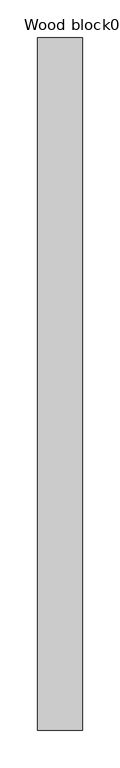
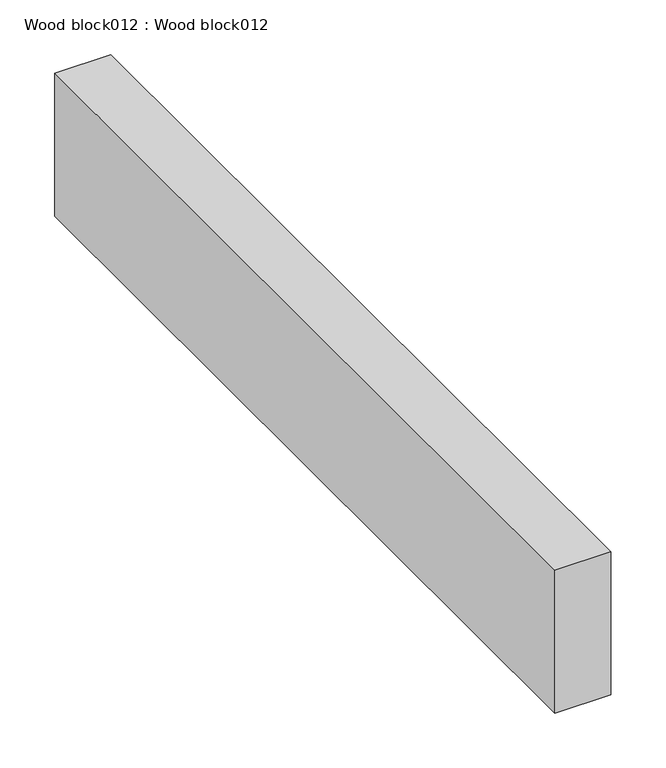
"""IFC4 building model written with IfcOpenShell, lengths in millimetres: proxy geometry, Wood block012 : Wood block012."""

from ifc_helpers import new_model, si_unit, frame, origin, place, context, project, spatial, polyline, outline, extrude, source, transform, mapped, element, save


def wood_block012_wood_block012_61588c45(model_context):
    return source(origin(), model_context, "Body", "SweptSolid", [
        extrude(outline(polyline([(37542.3671875, -18662.4264268), (37601.4921875, -18662.4264268), (37601.4921875, -19576.8264268), (37542.3671875, -19576.8264268), (37542.3671875, -18662.4264268)])), frame((0.0, 0.0, 2963.0442491), z_axis=(0.0, 0.0, 1.0), x_axis=(1.0, 0.0, 0.0)), (0.0, 0.0, 1.0), 159.6066137),
    ])


if __name__ == "__main__":
    model = new_model("IFC4")
    model_context = context("Model", 3, world=origin())
    ifc_project = project(units=[si_unit("LENGTHUNIT", "METRE", prefix="MILLI")], contexts=[model_context])
    site = spatial("IfcSite", under=ifc_project)
    building = spatial("IfcBuilding", under=site)
    placement = place(None, origin())
    wood_block012_wood_block012_shape = wood_block012_wood_block012_61588c45(model_context)
    element("IfcBuildingElementProxy", 1, Name="Wood block012 : Wood block012", ObjectType="Wood block012 : Wood block012", at=placement, inside=building, context=model_context, shape_type="MappedRepresentation", body=[
        mapped(wood_block012_wood_block012_shape, transform((0.0, 0.0, 0.0), x_axis=(1.0, 0.0, 0.0), y_axis=(0.0, 1.0, 0.0), z_axis=(0.0, 0.0, 1.0))),
    ])
    save(model, "model.ifc")
